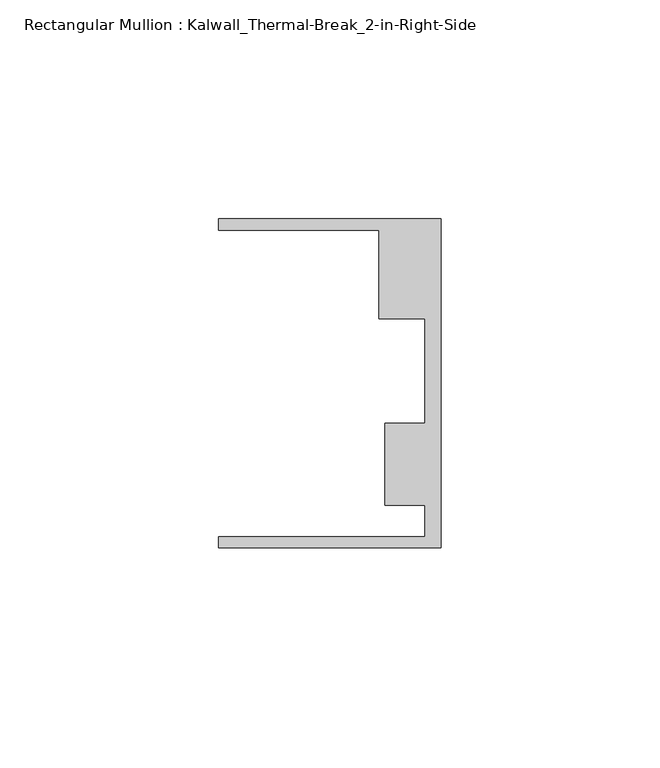
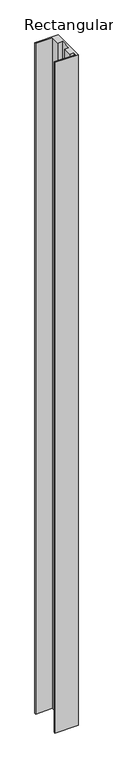
"""IFC4 building model written with IfcOpenShell, lengths in millimetres: member geometry, Rectangular Mullion : Kalwall_Thermal-Break_2-in-Right-Side."""

from ifc_helpers import new_model, si_unit, frame, origin, place, context, project, spatial, polyline, outline, extrude, source, transform, mapped, element, save


def rectangular_mullion_kalwall_thermal_break_2_in_right_side_c1dfc34a(model_context):
    return source(origin(), model_context, "Body", "SweptSolid", [
        extrude(outline(polyline([(0.0, -37.5776386), (-50.8, -37.5776386), (-50.8, -35.0376386), (-3.7084, -35.0376386), (-3.7084, -27.8888568), (-12.8272539, -27.8888568), (-12.8272539, -9.1879886), (-3.7084, -9.1879886), (-3.7084, 14.7439614), (-14.1732, 14.7439614), (-14.1732, 34.9623614), (-50.8, 34.9623614), (-50.8, 37.5023614), (0.0, 37.5023614), (0.0, -37.5776386)])), frame((0.0, 0.0, -1547.877), z_axis=(0.0, 0.0, 1.0), x_axis=(1.0, 0.0, 0.0)), (0.0, 0.0, 1.0), 1547.877),
    ])


if __name__ == "__main__":
    model = new_model("IFC4")
    model_context = context("Model", 3, world=origin())
    ifc_project = project(units=[si_unit("LENGTHUNIT", "METRE", prefix="MILLI")], contexts=[model_context])
    site = spatial("IfcSite", under=ifc_project)
    building = spatial("IfcBuilding", under=site)
    placement = place(None, origin())
    rectangular_mullion_kalwall_thermal_break_2_in_right_side_shape = rectangular_mullion_kalwall_thermal_break_2_in_right_side_c1dfc34a(model_context)
    element("IfcMember", 1, ObjectType="Rectangular Mullion : Kalwall_Thermal-Break_2-in-Right-Side", at=placement, inside=building, context=model_context, shape_type="MappedRepresentation", body=[
        mapped(rectangular_mullion_kalwall_thermal_break_2_in_right_side_shape, transform((0.0, 0.0, 0.0), x_axis=(1.0, 0.0, 0.0), y_axis=(0.0, 1.0, 0.0), z_axis=(0.0, 0.0, 1.0))),
    ])
    save(model, "model.ifc")
